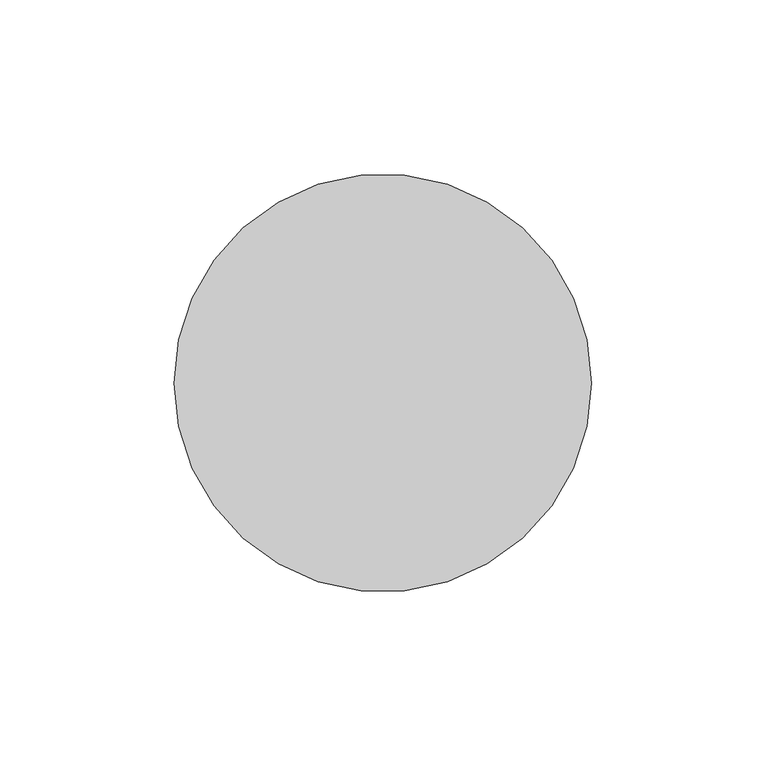
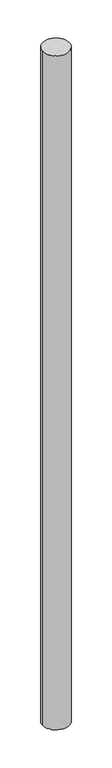
"""IFC4 building model written with IfcOpenShell, lengths in millimetres: column geometry."""

import ifcopenshell
import ifcopenshell.guid

model = None  # the IFC model being written
_history = None  # IfcOwnerHistory: only IFC2X3 demands one
_inside = {}  # id of a spatial element -> (the spatial element, [elements in it])
_under = {}  # id of a project, library or spatial element -> (it, [spatial elements below it])
_declared = {}  # id of a project -> (the project, [libraries it declares])
_typed = {}  # id of a type object -> (the type object, [elements of that type])
_made_of = {}  # id of a material, layer set ... -> (it, [elements and type objects made of it])


def new_model(schema):
    """Start an empty IFC model of exactly this schema.

    Asked for "IFC4X3", IfcOpenShell would pick the latest addendum, in which some entities
    have other attributes; the version numbers below select the first issue.
    IFC2X3 requires an IfcOwnerHistory on every rooted entity: one is made here for all.
    """
    global model, _history
    if schema == "IFC4X3":
        model = ifcopenshell.file(schema_version=(4, 3, 0, 0))
    else:
        model = ifcopenshell.file(schema=schema)
    _inside.clear()
    _under.clear()
    _declared.clear()
    _typed.clear()
    _made_of.clear()
    _history = None
    if model.schema == "IFC2X3":
        org = make("IfcOrganization", Name="unknown")
        user = make(
            "IfcPersonAndOrganization",
            ThePerson=make("IfcPerson", FamilyName="unknown"),
            TheOrganization=org,
        )
        app = make(
            "IfcApplication",
            ApplicationDeveloper=org,
            Version="unknown",
            ApplicationFullName="unknown",
            ApplicationIdentifier="unknown",
        )
        _history = make(
            "IfcOwnerHistory",
            OwningUser=user,
            OwningApplication=app,
            ChangeAction="ADDED",
            CreationDate=0,
        )
    return model


def make(cls, **values):
    """One entity of the class cls with the attributes given. An attribute that is None is left unset."""
    return model.create_entity(
        cls, **{name: value for name, value in values.items() if value is not None}
    )


def rooted(cls, **values):
    """An entity with a GlobalId (a new one), such as an element, a storey or a relation."""
    return make(cls, GlobalId=ifcopenshell.guid.new(), OwnerHistory=_history, **values)


def si_unit(unit_type, name, prefix=None):
    """IfcSIUnit, for example si_unit("LENGTHUNIT", "METRE", prefix="MILLI")."""
    return make("IfcSIUnit", UnitType=unit_type, Prefix=prefix, Name=name)


def assignment(units):
    """IfcUnitAssignment: the units of a project."""
    return None if units is None else make("IfcUnitAssignment", Units=units)


def point(xyz):
    """IfcCartesianPoint."""
    return None if xyz is None else make("IfcCartesianPoint", Coordinates=xyz)


def direction(xyz):
    """IfcDirection."""
    return None if xyz is None else make("IfcDirection", DirectionRatios=xyz)


def frame(location, z_axis=None, x_axis=None):
    """IfcAxis2Placement3D, a coordinate frame: its origin and axes. An axis left out is left unset."""
    return make(
        "IfcAxis2Placement3D",
        Location=point(location),
        Axis=direction(z_axis),
        RefDirection=direction(x_axis),
    )


def frame_2d(location, x_axis=None):
    """IfcAxis2Placement2D, a coordinate frame in the plane: its origin and x axis."""
    return make(
        "IfcAxis2Placement2D", Location=point(location), RefDirection=direction(x_axis)
    )


def origin():
    """The frame at (0, 0, 0) with its axes left unset."""
    return frame((0.0, 0.0, 0.0))


def origin_2d():
    """The frame at (0, 0) in the plane with its x axis left unset."""
    return frame_2d((0.0, 0.0))


def place(relative_to, where):
    """IfcLocalPlacement: puts the frame where relative to a parent placement (None: the world)."""
    return make(
        "IfcLocalPlacement", PlacementRelTo=relative_to, RelativePlacement=where
    )


def context(
    kind, dimensions, precision=None, world=None, true_north=None, identifier=None
):
    """IfcGeometricRepresentationContext, for example the 3D "Model" context."""
    return make(
        "IfcGeometricRepresentationContext",
        ContextIdentifier=identifier,
        ContextType=kind,
        CoordinateSpaceDimension=dimensions,
        Precision=precision,
        WorldCoordinateSystem=world,
        TrueNorth=true_north,
    )


def project(units=None, contexts=None):
    """IfcProject with its units and contexts."""
    return rooted(
        "IfcProject",
        Name="project",
        RepresentationContexts=contexts,
        UnitsInContext=assignment(units),
    )


def spatial(cls, under=None, at=None, **own):
    """A site, building, storey or space (cls), placed at a placement, below another one or the project."""
    s = rooted(cls, ObjectPlacement=at, **own)
    if under is not None:
        _under.setdefault(under.id(), (under, []))[1].append(s)
    return s


def circle_curve(where, radius):
    """IfcCircle in the frame where."""
    return make("IfcCircle", Position=where, Radius=radius)


def trimmed(basis, trim1, trim2, sense, master):
    """IfcTrimmedCurve: the piece of a basis curve between two trims."""
    return make(
        "IfcTrimmedCurve",
        BasisCurve=basis,
        Trim1=trim1,
        Trim2=trim2,
        SenseAgreement=sense,
        MasterRepresentation=master,
    )


def segment(curve, same_sense, transition):
    """IfcCompositeCurveSegment."""
    return make(
        "IfcCompositeCurveSegment",
        Transition=transition,
        SameSense=same_sense,
        ParentCurve=curve,
    )


def composite_curve(segments, self_intersect=None):
    """IfcCompositeCurve: segments joined end to end."""
    return make("IfcCompositeCurve", Segments=segments, SelfIntersect=self_intersect)


def outline(outer, holes=None, kind="AREA"):
    """IfcArbitraryClosedProfileDef: a profile drawn as a closed curve; with holes, ...WithVoids."""
    if holes is None:
        return make("IfcArbitraryClosedProfileDef", ProfileType=kind, OuterCurve=outer)
    return make(
        "IfcArbitraryProfileDefWithVoids",
        ProfileType=kind,
        OuterCurve=outer,
        InnerCurves=holes,
    )


def extrude(swept, where, along, depth):
    """IfcExtrudedAreaSolid: the profile swept, set in the frame where, extruded along a direction by depth."""
    return make(
        "IfcExtrudedAreaSolid",
        SweptArea=swept,
        Position=where,
        ExtrudedDirection=direction(along),
        Depth=depth,
    )


def shape(context_of_items, identifier, shape_type, items):
    """IfcShapeRepresentation: the items that make up one representation, for example the "Body"."""
    return make(
        "IfcShapeRepresentation",
        ContextOfItems=context_of_items,
        RepresentationIdentifier=identifier,
        RepresentationType=shape_type,
        Items=items,
    )


def source(mapping_origin, context_of_items, identifier, shape_type, items):
    """IfcRepresentationMap: a shape defined once, which mapped items show again and again."""
    return make(
        "IfcRepresentationMap",
        MappingOrigin=mapping_origin,
        MappedRepresentation=shape(context_of_items, identifier, shape_type, items),
    )


def transform(
    local_origin,
    x_axis=None,
    y_axis=None,
    z_axis=None,
    scale=None,
    scale2=None,
    scale3=None,
    uniform=True,
):
    """IfcCartesianTransformationOperator3D, or its non-uniform kind. x_axis, y_axis, z_axis: its Axis1, 2, 3."""
    if uniform:
        return make(
            "IfcCartesianTransformationOperator3D",
            Axis1=direction(x_axis),
            Axis2=direction(y_axis),
            LocalOrigin=point(local_origin),
            Scale=scale,
            Axis3=direction(z_axis),
        )
    return make(
        "IfcCartesianTransformationOperator3DnonUniform",
        Axis1=direction(x_axis),
        Axis2=direction(y_axis),
        LocalOrigin=point(local_origin),
        Scale=scale,
        Axis3=direction(z_axis),
        Scale2=scale2,
        Scale3=scale3,
    )


def mapped(mapping_source, mapping_target):
    """IfcMappedItem: shows the shape of a source again, moved by a transform."""
    return make(
        "IfcMappedItem", MappingSource=mapping_source, MappingTarget=mapping_target
    )


def made_of(thing, what):
    """Note that an element or type object is made of a material, layer set ...; save() writes the relation."""
    if what is not None:
        _made_of.setdefault(what.id(), (what, []))[1].append(thing)
    return thing


def element(
    cls,
    number,
    at=None,
    inside=None,
    cuts=None,
    type_object=None,
    material=None,
    context=None,
    identifier="Body",
    shape_type=None,
    held_by="IfcProductDefinitionShape",
    body=None,
    shapes=None,
    **own,
):
    """One element of the class cls, such as IfcWall. Its Tag is "e" and its number.

    at: its placement. inside: the storey or other place that contains it. cuts: it is an
    opening in that element (IfcRelVoidsElement). A single representation is given by context,
    identifier, shape_type and body (its items); several are given by shapes. held_by: the class
    of the entity that holds the representations. save() writes the other relations.
    """
    e = rooted(cls, Tag="e%d" % number, ObjectPlacement=at, **own)
    if body is not None:
        shapes = [shape(context, identifier, shape_type, body)]
    if shapes is not None:
        e.Representation = make(held_by, Representations=shapes)
    if inside is not None:
        _inside.setdefault(inside.id(), (inside, []))[1].append(e)
    if cuts is not None:
        rooted(
            "IfcRelVoidsElement", RelatingBuildingElement=cuts, RelatedOpeningElement=e
        )
    if type_object is not None:
        _typed.setdefault(type_object.id(), (type_object, []))[1].append(e)
    return made_of(e, material)


def aggregate(whole, parts):
    """IfcRelAggregates: a whole, such as a stair, and the parts it consists of."""
    return rooted("IfcRelAggregates", RelatingObject=whole, RelatedObjects=parts)


def save(model, path):
    """Write the relations noted so far, then the file.

    IfcRelAggregates (storeys below a building ...), IfcRelContainedInSpatialStructure (elements
    in a storey), IfcRelDefinesByType, IfcRelAssociatesMaterial and IfcRelDeclares: one each for
    every whole, place, type object, material and project.
    """
    for whole, parts in _under.values():
        aggregate(whole, parts)
    for where, things in _inside.values():
        rooted(
            "IfcRelContainedInSpatialStructure",
            RelatedElements=things,
            RelatingStructure=where,
        )
    for kind, things in _typed.values():
        rooted("IfcRelDefinesByType", RelatedObjects=things, RelatingType=kind)
    for what, things in _made_of.values():
        rooted("IfcRelAssociatesMaterial", RelatedObjects=things, RelatingMaterial=what)
    for by, libraries in _declared.values():
        rooted("IfcRelDeclares", RelatingContext=by, RelatedDefinitions=libraries)
    model.write(path)


def column_7ef00c1d(model_context):
    return source(origin(), model_context, "Body", "SweptSolid", [
        extrude(outline(composite_curve([segment(trimmed(circle_curve(origin_2d(), 60.0), [point((-60.0, 0.0))], [point((60.0, 0.0))], False, "CARTESIAN"), True, "CONTINUOUS"), segment(trimmed(circle_curve(origin_2d(), 60.0), [point((60.0, 0.0))], [point((-60.0, 0.0))], False, "CARTESIAN"), True, "CONTINUOUS")], self_intersect=False)), frame((0.0, 0.0, 3300.0), z_axis=(0.0, 0.0, 1.0), x_axis=(1.0, 0.0, 0.0)), (0.0, 0.0, 1.0), 3200.0),
    ])


if __name__ == "__main__":
    model = new_model("IFC4")
    model_context = context("Model", 3, world=origin())
    ifc_project = project(units=[si_unit("LENGTHUNIT", "METRE", prefix="MILLI")], contexts=[model_context])
    site = spatial("IfcSite", under=ifc_project)
    building = spatial("IfcBuilding", under=site)
    placement = place(None, origin())
    column_shape = column_7ef00c1d(model_context)
    element("IfcColumn", 1, at=placement, inside=building, context=model_context, shape_type="MappedRepresentation", body=[
        mapped(column_shape, transform((0.0, 0.0, 0.0), x_axis=(1.0, 0.0, 0.0), y_axis=(0.0, 1.0, 0.0), z_axis=(0.0, 0.0, 1.0))),
    ])
    save(model, "model.ifc")
